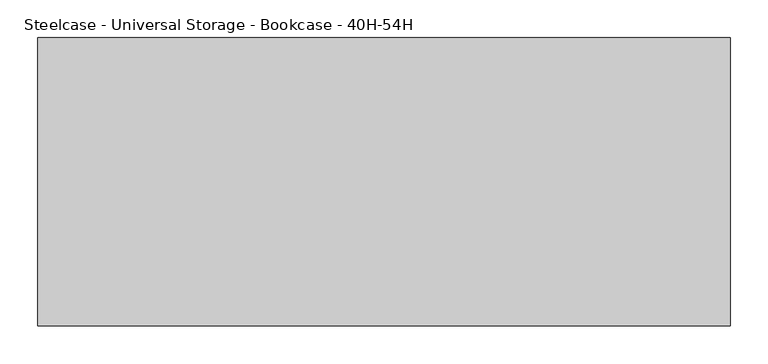
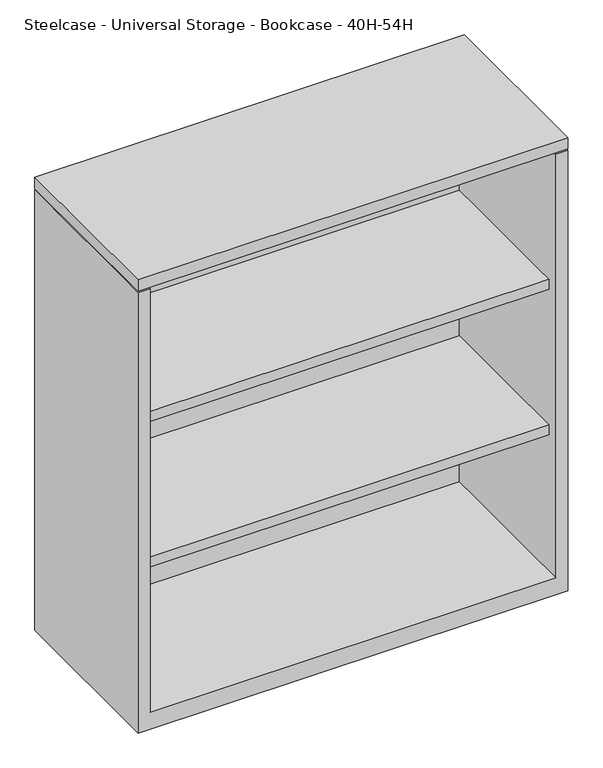
"""IFC4 building model written with IfcOpenShell, lengths in millimetres: furniture geometry, Steelcase - Universal Storage - Bookcase - 40H-54H."""

from ifc_helpers import new_model, si_unit, frame, origin, place, context, project, spatial, polyline, outline, extrude, faceted_brep, source, transform, mapped, element, save


def steelcase_universal_storage_bookcase_40h_54h_a6b768bb(model_context):
    return source(origin(), model_context, "Body", "SolidModel", [
        extrude(outline(polyline([(914.4, -98.552), (914.4, -479.552), (0.0, -479.552), (0.0, -98.552), (914.4, -98.552)])), frame((0.0, 0.0, 993.6479031), z_axis=(0.0, 0.0, 1.0), x_axis=(1.0, 0.0, 0.0)), (0.0, 0.0, 1.0), 25.4000484),
        extrude(outline(polyline([(889.0000242, -123.9520008), (889.0000242, -454.0250121), (25.4000008, -454.0250121), (25.4000008, -123.9520008), (889.0000242, -123.9520008)])), frame((0.0, 0.0, 344.424), z_axis=(0.0, 0.0, 1.0), x_axis=(1.0, 0.0, 0.0)), (0.0, 0.0, 1.0), 22.2249516),
        extrude(outline(polyline([(889.0000242, -123.9520008), (889.0000242, -454.0250121), (25.4000008, -454.0250121), (25.4000008, -123.9520008), (889.0000242, -123.9520008)])), frame((0.0, 0.0, 671.4489516), z_axis=(0.0, 0.0, 1.0), x_axis=(1.0, 0.0, 0.0)), (0.0, 0.0, 1.0), 22.2249516),
        faceted_brep([(25.4000008, -479.552, 38.1), (889.0000242, -479.552, 38.1), (889.0000242, -123.9520008, 38.1), (25.4000008, -123.9520008, 38.1), (914.4, -98.552, 0.0), (914.4, -479.552, 0.0), (0.0, -479.552, 0.0), (0.0, -98.552, 0.0), (0.0, -98.552, 990.6), (914.4, -98.552, 990.6), (0.0, -479.552, 990.6), (914.4, -479.552, 990.6), (889.0000242, -479.552, 990.6), (25.4000008, -479.552, 990.6), (889.0000242, -123.9520008, 990.6), (25.4000008, -123.9520008, 990.6)], [[[0, 1, 2, 3]], [[4, 5, 6, 7]], [[4, 7, 8, 9]], [[8, 7, 6, 10]], [[10, 6, 5, 11, 12, 1, 0, 13]], [[11, 5, 4, 9]], [[14, 12, 11, 9, 8, 10, 13, 15]], [[12, 14, 2, 1]], [[15, 13, 0, 3]], [[14, 15, 3, 2]]]),
    ])


if __name__ == "__main__":
    model = new_model("IFC4")
    model_context = context("Model", 3, world=origin())
    ifc_project = project(units=[si_unit("LENGTHUNIT", "METRE", prefix="MILLI")], contexts=[model_context])
    site = spatial("IfcSite", under=ifc_project)
    building = spatial("IfcBuilding", under=site)
    placement = place(None, origin())
    steelcase_universal_storage_bookcase_40h_54h_shape = steelcase_universal_storage_bookcase_40h_54h_a6b768bb(model_context)
    element("IfcFurniture", 1, ObjectType="Steelcase - Universal Storage - Bookcase - 40H-54H", at=placement, inside=building, context=model_context, shape_type="MappedRepresentation", body=[
        mapped(steelcase_universal_storage_bookcase_40h_54h_shape, transform((0.0, 0.0, 0.0), x_axis=(1.0, 0.0, 0.0), y_axis=(0.0, 1.0, 0.0), z_axis=(0.0, 0.0, 1.0))),
    ])
    save(model, "model.ifc")
